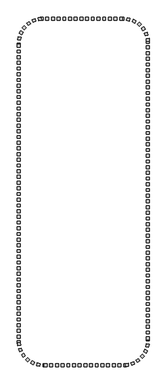
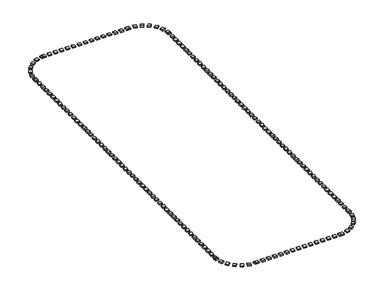
"""IFC4 building model written with IfcOpenShell, lengths in millimetres: railing geometry."""

from ifc_helpers import new_model, si_unit, origin, origin_with_axes, place, context, project, spatial, polyline, outline, extrude, source, transform, mapped, element, save


def railing_08329f72(model_context):
    return source(origin(), model_context, "Body", "SweptSolid", [
        extrude(outline(polyline([(-30827.5176302, -289245.3396431), (-30827.5176302, -289745.3396431), (-31327.5176302, -289745.3396431), (-31327.5176302, -289245.3396431), (-30827.5176302, -289245.3396431)])), origin_with_axes(), (0.0, 0.0, 1.0), 200.0),
        extrude(outline(polyline([(-31827.5176302, -289245.3396431), (-31827.5176302, -289745.3396431), (-32327.5176302, -289745.3396431), (-32327.5176302, -289245.3396431), (-31827.5176302, -289245.3396431)])), origin_with_axes(), (0.0, 0.0, 1.0), 200.0),
        extrude(outline(polyline([(-32827.5176302, -289245.3396431), (-32827.5176302, -289745.3396431), (-33327.5176302, -289745.3396431), (-33327.5176302, -289245.3396431), (-32827.5176302, -289245.3396431)])), origin_with_axes(), (0.0, 0.0, 1.0), 200.0),
        extrude(outline(polyline([(-33827.5176302, -289245.3396431), (-33827.5176302, -289745.3396431), (-34327.5176302, -289745.3396431), (-34327.5176302, -289245.3396431), (-33827.5176302, -289245.3396431)])), origin_with_axes(), (0.0, 0.0, 1.0), 200.0),
        extrude(outline(polyline([(-34827.5176302, -289245.3396431), (-34827.5176302, -289745.3396431), (-35327.5176302, -289745.3396431), (-35327.5176302, -289245.3396431), (-34827.5176302, -289245.3396431)])), origin_with_axes(), (0.0, 0.0, 1.0), 200.0),
        extrude(outline(polyline([(-35827.5176302, -289245.3396431), (-35827.5176302, -289745.3396431), (-36327.5176302, -289745.3396431), (-36327.5176302, -289245.3396431), (-35827.5176302, -289245.3396431)])), origin_with_axes(), (0.0, 0.0, 1.0), 200.0),
        extrude(outline(polyline([(-36827.5176302, -289245.3396431), (-36827.5176302, -289745.3396431), (-37327.5176302, -289745.3396431), (-37327.5176302, -289245.3396431), (-36827.5176302, -289245.3396431)])), origin_with_axes(), (0.0, 0.0, 1.0), 200.0),
        extrude(outline(polyline([(-37827.5176302, -289245.3396431), (-37827.5176302, -289745.3396431), (-38327.5176302, -289745.3396431), (-38327.5176302, -289245.3396431), (-37827.5176302, -289245.3396431)])), origin_with_axes(), (0.0, 0.0, 1.0), 200.0),
        extrude(outline(polyline([(-38827.5176302, -289245.3396431), (-38827.5176302, -289745.3396431), (-39327.5176302, -289745.3396431), (-39327.5176302, -289245.3396431), (-38827.5176302, -289245.3396431)])), origin_with_axes(), (0.0, 0.0, 1.0), 200.0),
        extrude(outline(polyline([(-39827.5176302, -289245.3396431), (-39827.5176302, -289745.3396431), (-40327.5176302, -289745.3396431), (-40327.5176302, -289245.3396431), (-39827.5176302, -289245.3396431)])), origin_with_axes(), (0.0, 0.0, 1.0), 200.0),
        extrude(outline(polyline([(-40827.5176302, -289245.3396431), (-40827.5176302, -289745.3396431), (-41327.5176302, -289745.3396431), (-41327.5176302, -289245.3396431), (-40827.5176302, -289245.3396431)])), origin_with_axes(), (0.0, 0.0, 1.0), 200.0),
        extrude(outline(polyline([(-41827.5176302, -289245.3396431), (-41827.5176302, -289745.3396431), (-42327.5176302, -289745.3396431), (-42327.5176302, -289245.3396431), (-41827.5176302, -289245.3396431)])), origin_with_axes(), (0.0, 0.0, 1.0), 200.0),
        extrude(outline(polyline([(-42827.5176302, -289245.3396431), (-42827.5176302, -289745.3396431), (-43327.5176302, -289745.3396431), (-43327.5176302, -289245.3396431), (-42827.5176302, -289245.3396431)])), origin_with_axes(), (0.0, 0.0, 1.0), 200.0),
        extrude(outline(polyline([(-43827.5176302, -289245.3396431), (-43827.5176302, -289745.3396431), (-44327.5176302, -289745.3396431), (-44327.5176302, -289245.3396431), (-43827.5176302, -289245.3396431)])), origin_with_axes(), (0.0, 0.0, 1.0), 200.0),
        extrude(outline(polyline([(-45145.8350377, -289256.6122034), (-45110.4664368, -289755.3596967), (-45609.2139301, -289790.7282975), (-45644.582531, -289291.9808042), (-45145.8350377, -289256.6122034)])), origin_with_axes(), (0.0, 0.0, 1.0), 200.0),
        extrude(outline(polyline([(-46246.4682609, -289474.908856), (-46088.8070797, -289949.4011657), (-46563.2993894, -290107.0623469), (-46720.9605706, -289632.5700372), (-46246.4682609, -289474.908856)])), origin_with_axes(), (0.0, 0.0, 1.0), 200.0),
        extrude(outline(polyline([(-47258.8780066, -289958.7202115), (-46988.7268536, -290379.4557039), (-47409.462346, -290649.6068568), (-47679.613499, -290228.8713644), (-47258.8780066, -289958.7202115)])), origin_with_axes(), (0.0, 0.0, 1.0), 200.0),
        extrude(outline(polyline([(-48120.1175401, -290677.965223), (-47754.2731056, -291018.784603), (-48095.0924857, -291384.6290375), (-48460.9369201, -291043.8096575), (-48120.1175401, -290677.965223)])), origin_with_axes(), (0.0, 0.0, 1.0), 200.0),
        extrude(outline(polyline([(-48776.6391587, -291587.9247194), (-48337.8478777, -291827.6374887), (-48577.560647, -292266.4287697), (-49016.351928, -292026.7160004), (-48776.6391587, -291587.9247194)])), origin_with_axes(), (0.0, 0.0, 1.0), 200.0),
        extrude(outline(polyline([(-49187.6235278, -292632.0218265), (-48703.167317, -292755.7238061), (-48826.8692966, -293240.180017), (-49311.3255075, -293116.4780373), (-49187.6235278, -292632.0218265)])), origin_with_axes(), (0.0, 0.0, 1.0), 200.0),
        extrude(outline(polyline([(-49327.5176302, -293954.0566268), (-48827.5176302, -293954.0566268), (-48827.5176302, -294454.0566268), (-49327.5176302, -294454.0566268), (-49327.5176302, -293954.0566268)])), origin_with_axes(), (0.0, 0.0, 1.0), 200.0),
        extrude(outline(polyline([(-49327.5176302, -294954.0566268), (-48827.5176302, -294954.0566268), (-48827.5176302, -295454.0566268), (-49327.5176302, -295454.0566268), (-49327.5176302, -294954.0566268)])), origin_with_axes(), (0.0, 0.0, 1.0), 200.0),
        extrude(outline(polyline([(-49327.5176302, -295954.0566268), (-48827.5176302, -295954.0566268), (-48827.5176302, -296454.0566268), (-49327.5176302, -296454.0566268), (-49327.5176302, -295954.0566268)])), origin_with_axes(), (0.0, 0.0, 1.0), 200.0),
        extrude(outline(polyline([(-49327.5176302, -296954.0566268), (-48827.5176302, -296954.0566268), (-48827.5176302, -297454.0566268), (-49327.5176302, -297454.0566268), (-49327.5176302, -296954.0566268)])), origin_with_axes(), (0.0, 0.0, 1.0), 200.0),
        extrude(outline(polyline([(-49327.5176302, -297954.0566268), (-48827.5176302, -297954.0566268), (-48827.5176302, -298454.0566268), (-49327.5176302, -298454.0566268), (-49327.5176302, -297954.0566268)])), origin_with_axes(), (0.0, 0.0, 1.0), 200.0),
        extrude(outline(polyline([(-49327.5176302, -298954.0566268), (-48827.5176302, -298954.0566268), (-48827.5176302, -299454.0566268), (-49327.5176302, -299454.0566268), (-49327.5176302, -298954.0566268)])), origin_with_axes(), (0.0, 0.0, 1.0), 200.0),
        extrude(outline(polyline([(-49327.5176302, -299954.0566268), (-48827.5176302, -299954.0566268), (-48827.5176302, -300454.0566268), (-49327.5176302, -300454.0566268), (-49327.5176302, -299954.0566268)])), origin_with_axes(), (0.0, 0.0, 1.0), 200.0),
        extrude(outline(polyline([(-49327.5176302, -300954.0566268), (-48827.5176302, -300954.0566268), (-48827.5176302, -301454.0566268), (-49327.5176302, -301454.0566268), (-49327.5176302, -300954.0566268)])), origin_with_axes(), (0.0, 0.0, 1.0), 200.0),
        extrude(outline(polyline([(-49327.5176302, -301954.0566268), (-48827.5176302, -301954.0566268), (-48827.5176302, -302454.0566268), (-49327.5176302, -302454.0566268), (-49327.5176302, -301954.0566268)])), origin_with_axes(), (0.0, 0.0, 1.0), 200.0),
        extrude(outline(polyline([(-49327.5176302, -302954.0566268), (-48827.5176302, -302954.0566268), (-48827.5176302, -303454.0566268), (-49327.5176302, -303454.0566268), (-49327.5176302, -302954.0566268)])), origin_with_axes(), (0.0, 0.0, 1.0), 200.0),
        extrude(outline(polyline([(-49327.5176302, -303954.0566268), (-48827.5176302, -303954.0566268), (-48827.5176302, -304454.0566268), (-49327.5176302, -304454.0566268), (-49327.5176302, -303954.0566268)])), origin_with_axes(), (0.0, 0.0, 1.0), 200.0),
        extrude(outline(polyline([(-49327.5176302, -304954.0566268), (-48827.5176302, -304954.0566268), (-48827.5176302, -305454.0566268), (-49327.5176302, -305454.0566268), (-49327.5176302, -304954.0566268)])), origin_with_axes(), (0.0, 0.0, 1.0), 200.0),
        extrude(outline(polyline([(-49327.5176302, -305954.0566268), (-48827.5176302, -305954.0566268), (-48827.5176302, -306454.0566268), (-49327.5176302, -306454.0566268), (-49327.5176302, -305954.0566268)])), origin_with_axes(), (0.0, 0.0, 1.0), 200.0),
        extrude(outline(polyline([(-49327.5176302, -306954.0566268), (-48827.5176302, -306954.0566268), (-48827.5176302, -307454.0566268), (-49327.5176302, -307454.0566268), (-49327.5176302, -306954.0566268)])), origin_with_axes(), (0.0, 0.0, 1.0), 200.0),
        extrude(outline(polyline([(-49327.5176302, -307954.0566268), (-48827.5176302, -307954.0566268), (-48827.5176302, -308454.0566268), (-49327.5176302, -308454.0566268), (-49327.5176302, -307954.0566268)])), origin_with_axes(), (0.0, 0.0, 1.0), 200.0),
        extrude(outline(polyline([(-49327.5176302, -308954.0566268), (-48827.5176302, -308954.0566268), (-48827.5176302, -309454.0566268), (-49327.5176302, -309454.0566268), (-49327.5176302, -308954.0566268)])), origin_with_axes(), (0.0, 0.0, 1.0), 200.0),
        extrude(outline(polyline([(-49327.5176302, -309954.0566268), (-48827.5176302, -309954.0566268), (-48827.5176302, -310454.0566268), (-49327.5176302, -310454.0566268), (-49327.5176302, -309954.0566268)])), origin_with_axes(), (0.0, 0.0, 1.0), 200.0),
        extrude(outline(polyline([(-49327.5176302, -310954.0566268), (-48827.5176302, -310954.0566268), (-48827.5176302, -311454.0566268), (-49327.5176302, -311454.0566268), (-49327.5176302, -310954.0566268)])), origin_with_axes(), (0.0, 0.0, 1.0), 200.0),
        extrude(outline(polyline([(-49327.5176302, -311954.0566268), (-48827.5176302, -311954.0566268), (-48827.5176302, -312454.0566268), (-49327.5176302, -312454.0566268), (-49327.5176302, -311954.0566268)])), origin_with_axes(), (0.0, 0.0, 1.0), 200.0),
        extrude(outline(polyline([(-49327.5176302, -312954.0566268), (-48827.5176302, -312954.0566268), (-48827.5176302, -313454.0566268), (-49327.5176302, -313454.0566268), (-49327.5176302, -312954.0566268)])), origin_with_axes(), (0.0, 0.0, 1.0), 200.0),
        extrude(outline(polyline([(-49327.5176302, -313954.0566268), (-48827.5176302, -313954.0566268), (-48827.5176302, -314454.0566268), (-49327.5176302, -314454.0566268), (-49327.5176302, -313954.0566268)])), origin_with_axes(), (0.0, 0.0, 1.0), 200.0),
        extrude(outline(polyline([(-49327.5176302, -314954.0566268), (-48827.5176302, -314954.0566268), (-48827.5176302, -315454.0566268), (-49327.5176302, -315454.0566268), (-49327.5176302, -314954.0566268)])), origin_with_axes(), (0.0, 0.0, 1.0), 200.0),
        extrude(outline(polyline([(-49327.5176302, -315954.0566268), (-48827.5176302, -315954.0566268), (-48827.5176302, -316454.0566268), (-49327.5176302, -316454.0566268), (-49327.5176302, -315954.0566268)])), origin_with_axes(), (0.0, 0.0, 1.0), 200.0),
        extrude(outline(polyline([(-49327.5176302, -316954.0566268), (-48827.5176302, -316954.0566268), (-48827.5176302, -317454.0566268), (-49327.5176302, -317454.0566268), (-49327.5176302, -316954.0566268)])), origin_with_axes(), (0.0, 0.0, 1.0), 200.0),
        extrude(outline(polyline([(-49327.5176302, -317954.0566268), (-48827.5176302, -317954.0566268), (-48827.5176302, -318454.0566268), (-49327.5176302, -318454.0566268), (-49327.5176302, -317954.0566268)])), origin_with_axes(), (0.0, 0.0, 1.0), 200.0),
        extrude(outline(polyline([(-49327.5176302, -318954.0566268), (-48827.5176302, -318954.0566268), (-48827.5176302, -319454.0566268), (-49327.5176302, -319454.0566268), (-49327.5176302, -318954.0566268)])), origin_with_axes(), (0.0, 0.0, 1.0), 200.0),
        extrude(outline(polyline([(-49327.5176302, -319954.0566268), (-48827.5176302, -319954.0566268), (-48827.5176302, -320454.0566268), (-49327.5176302, -320454.0566268), (-49327.5176302, -319954.0566268)])), origin_with_axes(), (0.0, 0.0, 1.0), 200.0),
        extrude(outline(polyline([(-49327.5176302, -320954.0566268), (-48827.5176302, -320954.0566268), (-48827.5176302, -321454.0566268), (-49327.5176302, -321454.0566268), (-49327.5176302, -320954.0566268)])), origin_with_axes(), (0.0, 0.0, 1.0), 200.0),
        extrude(outline(polyline([(-49327.5176302, -321954.0566268), (-48827.5176302, -321954.0566268), (-48827.5176302, -322454.0566268), (-49327.5176302, -322454.0566268), (-49327.5176302, -321954.0566268)])), origin_with_axes(), (0.0, 0.0, 1.0), 200.0),
        extrude(outline(polyline([(-49327.5176302, -322954.0566268), (-48827.5176302, -322954.0566268), (-48827.5176302, -323454.0566268), (-49327.5176302, -323454.0566268), (-49327.5176302, -322954.0566268)])), origin_with_axes(), (0.0, 0.0, 1.0), 200.0),
        extrude(outline(polyline([(-49327.5176302, -323954.0566268), (-48827.5176302, -323954.0566268), (-48827.5176302, -324454.0566268), (-49327.5176302, -324454.0566268), (-49327.5176302, -323954.0566268)])), origin_with_axes(), (0.0, 0.0, 1.0), 200.0),
        extrude(outline(polyline([(-49327.5176302, -324954.0566268), (-48827.5176302, -324954.0566268), (-48827.5176302, -325454.0566268), (-49327.5176302, -325454.0566268), (-49327.5176302, -324954.0566268)])), origin_with_axes(), (0.0, 0.0, 1.0), 200.0),
        extrude(outline(polyline([(-49327.5176302, -325954.0566268), (-48827.5176302, -325954.0566268), (-48827.5176302, -326454.0566268), (-49327.5176302, -326454.0566268), (-49327.5176302, -325954.0566268)])), origin_with_axes(), (0.0, 0.0, 1.0), 200.0),
        extrude(outline(polyline([(-49327.5176302, -326954.0566268), (-48827.5176302, -326954.0566268), (-48827.5176302, -327454.0566268), (-49327.5176302, -327454.0566268), (-49327.5176302, -326954.0566268)])), origin_with_axes(), (0.0, 0.0, 1.0), 200.0),
        extrude(outline(polyline([(-49327.5176302, -327954.0566268), (-48827.5176302, -327954.0566268), (-48827.5176302, -328454.0566268), (-49327.5176302, -328454.0566268), (-49327.5176302, -327954.0566268)])), origin_with_axes(), (0.0, 0.0, 1.0), 200.0),
        extrude(outline(polyline([(-49327.5176302, -328954.0566268), (-48827.5176302, -328954.0566268), (-48827.5176302, -329454.0566268), (-49327.5176302, -329454.0566268), (-49327.5176302, -328954.0566268)])), origin_with_axes(), (0.0, 0.0, 1.0), 200.0),
        extrude(outline(polyline([(-49327.5176302, -329954.0566268), (-48827.5176302, -329954.0566268), (-48827.5176302, -330454.0566268), (-49327.5176302, -330454.0566268), (-49327.5176302, -329954.0566268)])), origin_with_axes(), (0.0, 0.0, 1.0), 200.0),
        extrude(outline(polyline([(-49327.5176302, -330954.0566268), (-48827.5176302, -330954.0566268), (-48827.5176302, -331454.0566268), (-49327.5176302, -331454.0566268), (-49327.5176302, -330954.0566268)])), origin_with_axes(), (0.0, 0.0, 1.0), 200.0),
        extrude(outline(polyline([(-49327.5176302, -331954.0566268), (-48827.5176302, -331954.0566268), (-48827.5176302, -332454.0566268), (-49327.5176302, -332454.0566268), (-49327.5176302, -331954.0566268)])), origin_with_axes(), (0.0, 0.0, 1.0), 200.0),
        extrude(outline(polyline([(-49327.5176302, -332954.0566268), (-48827.5176302, -332954.0566268), (-48827.5176302, -333454.0566268), (-49327.5176302, -333454.0566268), (-49327.5176302, -332954.0566268)])), origin_with_axes(), (0.0, 0.0, 1.0), 200.0),
        extrude(outline(polyline([(-49327.5176302, -333954.0566268), (-48827.5176302, -333954.0566268), (-48827.5176302, -334454.0566268), (-49327.5176302, -334454.0566268), (-49327.5176302, -333954.0566268)])), origin_with_axes(), (0.0, 0.0, 1.0), 200.0),
        extrude(outline(polyline([(-49327.5176302, -334954.0566268), (-48827.5176302, -334954.0566268), (-48827.5176302, -335454.0566268), (-49327.5176302, -335454.0566268), (-49327.5176302, -334954.0566268)])), origin_with_axes(), (0.0, 0.0, 1.0), 200.0),
        extrude(outline(polyline([(-49327.5176302, -335954.0566268), (-48827.5176302, -335954.0566268), (-48827.5176302, -336454.0566268), (-49327.5176302, -336454.0566268), (-49327.5176302, -335954.0566268)])), origin_with_axes(), (0.0, 0.0, 1.0), 200.0),
        extrude(outline(polyline([(-49327.5176302, -336954.0566268), (-48827.5176302, -336954.0566268), (-48827.5176302, -337454.0566268), (-49327.5176302, -337454.0566268), (-49327.5176302, -336954.0566268)])), origin_with_axes(), (0.0, 0.0, 1.0), 200.0),
        extrude(outline(polyline([(-49327.5176302, -337954.0566268), (-48827.5176302, -337954.0566268), (-48827.5176302, -338454.0566268), (-49327.5176302, -338454.0566268), (-49327.5176302, -337954.0566268)])), origin_with_axes(), (0.0, 0.0, 1.0), 200.0),
        extrude(outline(polyline([(-49327.5176302, -338954.0566268), (-48827.5176302, -338954.0566268), (-48827.5176302, -339454.0566268), (-49327.5176302, -339454.0566268), (-49327.5176302, -338954.0566268)])), origin_with_axes(), (0.0, 0.0, 1.0), 200.0),
        extrude(outline(polyline([(-49327.5176302, -339954.0566268), (-48827.5176302, -339954.0566268), (-48827.5176302, -340454.0566268), (-49327.5176302, -340454.0566268), (-49327.5176302, -339954.0566268)])), origin_with_axes(), (0.0, 0.0, 1.0), 200.0),
        extrude(outline(polyline([(-49327.5176302, -340954.0566268), (-48827.5176302, -340954.0566268), (-48827.5176302, -341454.0566268), (-49327.5176302, -341454.0566268), (-49327.5176302, -340954.0566268)])), origin_with_axes(), (0.0, 0.0, 1.0), 200.0),
        extrude(outline(polyline([(-49327.5176302, -341954.0566268), (-48827.5176302, -341954.0566268), (-48827.5176302, -342454.0566268), (-49327.5176302, -342454.0566268), (-49327.5176302, -341954.0566268)])), origin_with_axes(), (0.0, 0.0, 1.0), 200.0),
        extrude(outline(polyline([(-49327.5176302, -342954.0566268), (-48827.5176302, -342954.0566268), (-48827.5176302, -343454.0566268), (-49327.5176302, -343454.0566268), (-49327.5176302, -342954.0566268)])), origin_with_axes(), (0.0, 0.0, 1.0), 200.0),
        extrude(outline(polyline([(-49327.5176302, -343954.0566268), (-48827.5176302, -343954.0566268), (-48827.5176302, -344454.0566268), (-49327.5176302, -344454.0566268), (-49327.5176302, -343954.0566268)])), origin_with_axes(), (0.0, 0.0, 1.0), 200.0),
        extrude(outline(polyline([(-49327.5176302, -344954.0566268), (-48827.5176302, -344954.0566268), (-48827.5176302, -345454.0566268), (-49327.5176302, -345454.0566268), (-49327.5176302, -344954.0566268)])), origin_with_axes(), (0.0, 0.0, 1.0), 200.0),
        extrude(outline(polyline([(-49316.2450699, -346272.3740343), (-48817.4975766, -346237.0054335), (-48782.1289757, -346735.7529268), (-49280.876469, -346771.1215276), (-49316.2450699, -346272.3740343)])), origin_with_axes(), (0.0, 0.0, 1.0), 200.0),
        extrude(outline(polyline([(-49097.9484173, -347373.0072576), (-48623.4561076, -347215.3460764), (-48465.7949264, -347689.838386), (-48940.2872361, -347847.4995672), (-49097.9484173, -347373.0072576)])), origin_with_axes(), (0.0, 0.0, 1.0), 200.0),
        extrude(outline(polyline([(-48614.1370618, -348385.4170032), (-48193.4015694, -348115.2658503), (-47923.2504164, -348536.0013427), (-48343.9859089, -348806.1524956), (-48614.1370618, -348385.4170032)])), origin_with_axes(), (0.0, 0.0, 1.0), 200.0),
        extrude(outline(polyline([(-47894.8920503, -349246.6565367), (-47554.0726702, -348880.8121023), (-47188.2282358, -349221.6314823), (-47529.0476158, -349587.4759167), (-47894.8920503, -349246.6565367)])), origin_with_axes(), (0.0, 0.0, 1.0), 200.0),
        extrude(outline(polyline([(-46984.9325539, -349903.1781553), (-46745.2197846, -349464.3868743), (-46306.4285036, -349704.0996436), (-46546.1412729, -350142.8909246), (-46984.9325539, -349903.1781553)])), origin_with_axes(), (0.0, 0.0, 1.0), 200.0),
        extrude(outline(polyline([(-45940.8354468, -350314.1625245), (-45817.1334672, -349829.7063136), (-45332.6772563, -349953.4082933), (-45456.3792359, -350437.8645041), (-45940.8354468, -350314.1625245)])), origin_with_axes(), (0.0, 0.0, 1.0), 200.0),
        extrude(outline(polyline([(-44627.5176302, -350454.0566268), (-44627.5176302, -349954.0566268), (-44127.5176302, -349954.0566268), (-44127.5176302, -350454.0566268), (-44627.5176302, -350454.0566268)])), origin_with_axes(), (0.0, 0.0, 1.0), 200.0),
        extrude(outline(polyline([(-43627.5176302, -350454.0566268), (-43627.5176302, -349954.0566268), (-43127.5176302, -349954.0566268), (-43127.5176302, -350454.0566268), (-43627.5176302, -350454.0566268)])), origin_with_axes(), (0.0, 0.0, 1.0), 200.0),
        extrude(outline(polyline([(-42627.5176302, -350454.0566268), (-42627.5176302, -349954.0566268), (-42127.5176302, -349954.0566268), (-42127.5176302, -350454.0566268), (-42627.5176302, -350454.0566268)])), origin_with_axes(), (0.0, 0.0, 1.0), 200.0),
        extrude(outline(polyline([(-41627.5176302, -350454.0566268), (-41627.5176302, -349954.0566268), (-41127.5176302, -349954.0566268), (-41127.5176302, -350454.0566268), (-41627.5176302, -350454.0566268)])), origin_with_axes(), (0.0, 0.0, 1.0), 200.0),
        extrude(outline(polyline([(-40627.5176302, -350454.0566268), (-40627.5176302, -349954.0566268), (-40127.5176302, -349954.0566268), (-40127.5176302, -350454.0566268), (-40627.5176302, -350454.0566268)])), origin_with_axes(), (0.0, 0.0, 1.0), 200.0),
        extrude(outline(polyline([(-39627.5176302, -350454.0566268), (-39627.5176302, -349954.0566268), (-39127.5176302, -349954.0566268), (-39127.5176302, -350454.0566268), (-39627.5176302, -350454.0566268)])), origin_with_axes(), (0.0, 0.0, 1.0), 200.0),
        extrude(outline(polyline([(-38627.5176302, -350454.0566268), (-38627.5176302, -349954.0566268), (-38127.5176302, -349954.0566268), (-38127.5176302, -350454.0566268), (-38627.5176302, -350454.0566268)])), origin_with_axes(), (0.0, 0.0, 1.0), 200.0),
        extrude(outline(polyline([(-37627.5176302, -350454.0566268), (-37627.5176302, -349954.0566268), (-37127.5176302, -349954.0566268), (-37127.5176302, -350454.0566268), (-37627.5176302, -350454.0566268)])), origin_with_axes(), (0.0, 0.0, 1.0), 200.0),
        extrude(outline(polyline([(-36627.5176302, -350454.0566268), (-36627.5176302, -349954.0566268), (-36127.5176302, -349954.0566268), (-36127.5176302, -350454.0566268), (-36627.5176302, -350454.0566268)])), origin_with_axes(), (0.0, 0.0, 1.0), 200.0),
        extrude(outline(polyline([(-35627.5176302, -350454.0566268), (-35627.5176302, -349954.0566268), (-35127.5176302, -349954.0566268), (-35127.5176302, -350454.0566268), (-35627.5176302, -350454.0566268)])), origin_with_axes(), (0.0, 0.0, 1.0), 200.0),
        extrude(outline(polyline([(-34627.5176302, -350454.0566268), (-34627.5176302, -349954.0566268), (-34127.5176302, -349954.0566268), (-34127.5176302, -350454.0566268), (-34627.5176302, -350454.0566268)])), origin_with_axes(), (0.0, 0.0, 1.0), 200.0),
        extrude(outline(polyline([(-33627.5176302, -350454.0566268), (-33627.5176302, -349954.0566268), (-33127.5176302, -349954.0566268), (-33127.5176302, -350454.0566268), (-33627.5176302, -350454.0566268)])), origin_with_axes(), (0.0, 0.0, 1.0), 200.0),
        extrude(outline(polyline([(-32627.5176302, -350454.0566268), (-32627.5176302, -349954.0566268), (-32127.5176302, -349954.0566268), (-32127.5176302, -350454.0566268), (-32627.5176302, -350454.0566268)])), origin_with_axes(), (0.0, 0.0, 1.0), 200.0),
        extrude(outline(polyline([(-31627.5176302, -350454.0566268), (-31627.5176302, -349954.0566268), (-31127.5176302, -349954.0566268), (-31127.5176302, -350454.0566268), (-31627.5176302, -350454.0566268)])), origin_with_axes(), (0.0, 0.0, 1.0), 200.0),
        extrude(outline(polyline([(-30309.2002226, -350442.7840665), (-30344.5688235, -349944.0365732), (-29845.8213302, -349908.6679724), (-29810.4527293, -350407.4154657), (-30309.2002226, -350442.7840665)])), origin_with_axes(), (0.0, 0.0, 1.0), 200.0),
        extrude(outline(polyline([(-29208.5669994, -350224.4874139), (-29366.2281806, -349749.9951042), (-28891.7358709, -349592.333923), (-28734.0746897, -350066.8262327), (-29208.5669994, -350224.4874139)])), origin_with_axes(), (0.0, 0.0, 1.0), 200.0),
        extrude(outline(polyline([(-28196.1572537, -349740.6760584), (-28466.3084067, -349319.940566), (-28045.5729143, -349049.7894131), (-27775.4217613, -349470.5249055), (-28196.1572537, -349740.6760584)])), origin_with_axes(), (0.0, 0.0, 1.0), 200.0),
        extrude(outline(polyline([(-27334.9177202, -349021.4310469), (-27700.7621547, -348680.6116669), (-27359.9427746, -348314.7672324), (-26994.0983402, -348655.5866125), (-27334.9177202, -349021.4310469)])), origin_with_axes(), (0.0, 0.0, 1.0), 200.0),
        extrude(outline(polyline([(-26678.3961016, -348111.4715505), (-27117.1873826, -347871.7587812), (-26877.4746133, -347432.9675003), (-26438.6833323, -347672.6802696), (-26678.3961016, -348111.4715505)])), origin_with_axes(), (0.0, 0.0, 1.0), 200.0),
        extrude(outline(polyline([(-26267.4117325, -347067.3744434), (-26751.8679433, -346943.6724638), (-26628.1659637, -346459.2162529), (-26143.7097528, -346582.9182326), (-26267.4117325, -347067.3744434)])), origin_with_axes(), (0.0, 0.0, 1.0), 200.0),
        extrude(outline(polyline([(-26127.5176302, -345745.3396431), (-26627.5176302, -345745.3396431), (-26627.5176302, -345245.3396431), (-26127.5176302, -345245.3396431), (-26127.5176302, -345745.3396431)])), origin_with_axes(), (0.0, 0.0, 1.0), 200.0),
        extrude(outline(polyline([(-26127.5176302, -344745.3396431), (-26627.5176302, -344745.3396431), (-26627.5176302, -344245.3396431), (-26127.5176302, -344245.3396431), (-26127.5176302, -344745.3396431)])), origin_with_axes(), (0.0, 0.0, 1.0), 200.0),
        extrude(outline(polyline([(-26127.5176302, -343745.3396431), (-26627.5176302, -343745.3396431), (-26627.5176302, -343245.3396431), (-26127.5176302, -343245.3396431), (-26127.5176302, -343745.3396431)])), origin_with_axes(), (0.0, 0.0, 1.0), 200.0),
        extrude(outline(polyline([(-26127.5176302, -342745.3396431), (-26627.5176302, -342745.3396431), (-26627.5176302, -342245.3396431), (-26127.5176302, -342245.3396431), (-26127.5176302, -342745.3396431)])), origin_with_axes(), (0.0, 0.0, 1.0), 200.0),
        extrude(outline(polyline([(-26127.5176302, -341745.3396431), (-26627.5176302, -341745.3396431), (-26627.5176302, -341245.3396431), (-26127.5176302, -341245.3396431), (-26127.5176302, -341745.3396431)])), origin_with_axes(), (0.0, 0.0, 1.0), 200.0),
        extrude(outline(polyline([(-26127.5176302, -340745.3396431), (-26627.5176302, -340745.3396431), (-26627.5176302, -340245.3396431), (-26127.5176302, -340245.3396431), (-26127.5176302, -340745.3396431)])), origin_with_axes(), (0.0, 0.0, 1.0), 200.0),
        extrude(outline(polyline([(-26127.5176302, -339745.3396431), (-26627.5176302, -339745.3396431), (-26627.5176302, -339245.3396431), (-26127.5176302, -339245.3396431), (-26127.5176302, -339745.3396431)])), origin_with_axes(), (0.0, 0.0, 1.0), 200.0),
        extrude(outline(polyline([(-26127.5176302, -338745.3396431), (-26627.5176302, -338745.3396431), (-26627.5176302, -338245.3396431), (-26127.5176302, -338245.3396431), (-26127.5176302, -338745.3396431)])), origin_with_axes(), (0.0, 0.0, 1.0), 200.0),
        extrude(outline(polyline([(-26127.5176302, -337745.3396431), (-26627.5176302, -337745.3396431), (-26627.5176302, -337245.3396431), (-26127.5176302, -337245.3396431), (-26127.5176302, -337745.3396431)])), origin_with_axes(), (0.0, 0.0, 1.0), 200.0),
        extrude(outline(polyline([(-26127.5176302, -336745.3396431), (-26627.5176302, -336745.3396431), (-26627.5176302, -336245.3396431), (-26127.5176302, -336245.3396431), (-26127.5176302, -336745.3396431)])), origin_with_axes(), (0.0, 0.0, 1.0), 200.0),
        extrude(outline(polyline([(-26127.5176302, -335745.3396431), (-26627.5176302, -335745.3396431), (-26627.5176302, -335245.3396431), (-26127.5176302, -335245.3396431), (-26127.5176302, -335745.3396431)])), origin_with_axes(), (0.0, 0.0, 1.0), 200.0),
        extrude(outline(polyline([(-26127.5176302, -334745.3396431), (-26627.5176302, -334745.3396431), (-26627.5176302, -334245.3396431), (-26127.5176302, -334245.3396431), (-26127.5176302, -334745.3396431)])), origin_with_axes(), (0.0, 0.0, 1.0), 200.0),
        extrude(outline(polyline([(-26127.5176302, -333745.3396431), (-26627.5176302, -333745.3396431), (-26627.5176302, -333245.3396431), (-26127.5176302, -333245.3396431), (-26127.5176302, -333745.3396431)])), origin_with_axes(), (0.0, 0.0, 1.0), 200.0),
        extrude(outline(polyline([(-26127.5176302, -332745.3396431), (-26627.5176302, -332745.3396431), (-26627.5176302, -332245.3396431), (-26127.5176302, -332245.3396431), (-26127.5176302, -332745.3396431)])), origin_with_axes(), (0.0, 0.0, 1.0), 200.0),
        extrude(outline(polyline([(-26127.5176302, -331745.3396431), (-26627.5176302, -331745.3396431), (-26627.5176302, -331245.3396431), (-26127.5176302, -331245.3396431), (-26127.5176302, -331745.3396431)])), origin_with_axes(), (0.0, 0.0, 1.0), 200.0),
        extrude(outline(polyline([(-26127.5176302, -330745.3396431), (-26627.5176302, -330745.3396431), (-26627.5176302, -330245.3396431), (-26127.5176302, -330245.3396431), (-26127.5176302, -330745.3396431)])), origin_with_axes(), (0.0, 0.0, 1.0), 200.0),
        extrude(outline(polyline([(-26127.5176302, -329745.3396431), (-26627.5176302, -329745.3396431), (-26627.5176302, -329245.3396431), (-26127.5176302, -329245.3396431), (-26127.5176302, -329745.3396431)])), origin_with_axes(), (0.0, 0.0, 1.0), 200.0),
        extrude(outline(polyline([(-26127.5176302, -328745.3396431), (-26627.5176302, -328745.3396431), (-26627.5176302, -328245.3396431), (-26127.5176302, -328245.3396431), (-26127.5176302, -328745.3396431)])), origin_with_axes(), (0.0, 0.0, 1.0), 200.0),
        extrude(outline(polyline([(-26127.5176302, -327745.3396431), (-26627.5176302, -327745.3396431), (-26627.5176302, -327245.3396431), (-26127.5176302, -327245.3396431), (-26127.5176302, -327745.3396431)])), origin_with_axes(), (0.0, 0.0, 1.0), 200.0),
        extrude(outline(polyline([(-26127.5176302, -326745.3396431), (-26627.5176302, -326745.3396431), (-26627.5176302, -326245.3396431), (-26127.5176302, -326245.3396431), (-26127.5176302, -326745.3396431)])), origin_with_axes(), (0.0, 0.0, 1.0), 200.0),
        extrude(outline(polyline([(-26127.5176302, -325745.3396431), (-26627.5176302, -325745.3396431), (-26627.5176302, -325245.3396431), (-26127.5176302, -325245.3396431), (-26127.5176302, -325745.3396431)])), origin_with_axes(), (0.0, 0.0, 1.0), 200.0),
        extrude(outline(polyline([(-26127.5176302, -324745.3396431), (-26627.5176302, -324745.3396431), (-26627.5176302, -324245.3396431), (-26127.5176302, -324245.3396431), (-26127.5176302, -324745.3396431)])), origin_with_axes(), (0.0, 0.0, 1.0), 200.0),
        extrude(outline(polyline([(-26127.5176302, -323745.3396431), (-26627.5176302, -323745.3396431), (-26627.5176302, -323245.3396431), (-26127.5176302, -323245.3396431), (-26127.5176302, -323745.3396431)])), origin_with_axes(), (0.0, 0.0, 1.0), 200.0),
        extrude(outline(polyline([(-26127.5176302, -322745.3396431), (-26627.5176302, -322745.3396431), (-26627.5176302, -322245.3396431), (-26127.5176302, -322245.3396431), (-26127.5176302, -322745.3396431)])), origin_with_axes(), (0.0, 0.0, 1.0), 200.0),
        extrude(outline(polyline([(-26127.5176302, -321745.3396431), (-26627.5176302, -321745.3396431), (-26627.5176302, -321245.3396431), (-26127.5176302, -321245.3396431), (-26127.5176302, -321745.3396431)])), origin_with_axes(), (0.0, 0.0, 1.0), 200.0),
        extrude(outline(polyline([(-26127.5176302, -320745.3396431), (-26627.5176302, -320745.3396431), (-26627.5176302, -320245.3396431), (-26127.5176302, -320245.3396431), (-26127.5176302, -320745.3396431)])), origin_with_axes(), (0.0, 0.0, 1.0), 200.0),
        extrude(outline(polyline([(-26127.5176302, -319745.3396431), (-26627.5176302, -319745.3396431), (-26627.5176302, -319245.3396431), (-26127.5176302, -319245.3396431), (-26127.5176302, -319745.3396431)])), origin_with_axes(), (0.0, 0.0, 1.0), 200.0),
        extrude(outline(polyline([(-26127.5176302, -318745.3396431), (-26627.5176302, -318745.3396431), (-26627.5176302, -318245.3396431), (-26127.5176302, -318245.3396431), (-26127.5176302, -318745.3396431)])), origin_with_axes(), (0.0, 0.0, 1.0), 200.0),
        extrude(outline(polyline([(-26127.5176302, -317745.3396431), (-26627.5176302, -317745.3396431), (-26627.5176302, -317245.3396431), (-26127.5176302, -317245.3396431), (-26127.5176302, -317745.3396431)])), origin_with_axes(), (0.0, 0.0, 1.0), 200.0),
        extrude(outline(polyline([(-26127.5176302, -316745.3396431), (-26627.5176302, -316745.3396431), (-26627.5176302, -316245.3396431), (-26127.5176302, -316245.3396431), (-26127.5176302, -316745.3396431)])), origin_with_axes(), (0.0, 0.0, 1.0), 200.0),
        extrude(outline(polyline([(-26127.5176302, -315745.3396431), (-26627.5176302, -315745.3396431), (-26627.5176302, -315245.3396431), (-26127.5176302, -315245.3396431), (-26127.5176302, -315745.3396431)])), origin_with_axes(), (0.0, 0.0, 1.0), 200.0),
        extrude(outline(polyline([(-26127.5176302, -314745.3396431), (-26627.5176302, -314745.3396431), (-26627.5176302, -314245.3396431), (-26127.5176302, -314245.3396431), (-26127.5176302, -314745.3396431)])), origin_with_axes(), (0.0, 0.0, 1.0), 200.0),
        extrude(outline(polyline([(-26127.5176302, -313745.3396431), (-26627.5176302, -313745.3396431), (-26627.5176302, -313245.3396431), (-26127.5176302, -313245.3396431), (-26127.5176302, -313745.3396431)])), origin_with_axes(), (0.0, 0.0, 1.0), 200.0),
        extrude(outline(polyline([(-26127.5176302, -312745.3396431), (-26627.5176302, -312745.3396431), (-26627.5176302, -312245.3396431), (-26127.5176302, -312245.3396431), (-26127.5176302, -312745.3396431)])), origin_with_axes(), (0.0, 0.0, 1.0), 200.0),
        extrude(outline(polyline([(-26127.5176302, -311745.3396431), (-26627.5176302, -311745.3396431), (-26627.5176302, -311245.3396431), (-26127.5176302, -311245.3396431), (-26127.5176302, -311745.3396431)])), origin_with_axes(), (0.0, 0.0, 1.0), 200.0),
        extrude(outline(polyline([(-26127.5176302, -310745.3396431), (-26627.5176302, -310745.3396431), (-26627.5176302, -310245.3396431), (-26127.5176302, -310245.3396431), (-26127.5176302, -310745.3396431)])), origin_with_axes(), (0.0, 0.0, 1.0), 200.0),
        extrude(outline(polyline([(-26127.5176302, -309745.3396431), (-26627.5176302, -309745.3396431), (-26627.5176302, -309245.3396431), (-26127.5176302, -309245.3396431), (-26127.5176302, -309745.3396431)])), origin_with_axes(), (0.0, 0.0, 1.0), 200.0),
        extrude(outline(polyline([(-26127.5176302, -308745.3396431), (-26627.5176302, -308745.3396431), (-26627.5176302, -308245.3396431), (-26127.5176302, -308245.3396431), (-26127.5176302, -308745.3396431)])), origin_with_axes(), (0.0, 0.0, 1.0), 200.0),
        extrude(outline(polyline([(-26127.5176302, -307745.3396431), (-26627.5176302, -307745.3396431), (-26627.5176302, -307245.3396431), (-26127.5176302, -307245.3396431), (-26127.5176302, -307745.3396431)])), origin_with_axes(), (0.0, 0.0, 1.0), 200.0),
        extrude(outline(polyline([(-26127.5176302, -306745.3396431), (-26627.5176302, -306745.3396431), (-26627.5176302, -306245.3396431), (-26127.5176302, -306245.3396431), (-26127.5176302, -306745.3396431)])), origin_with_axes(), (0.0, 0.0, 1.0), 200.0),
        extrude(outline(polyline([(-26127.5176302, -305745.3396431), (-26627.5176302, -305745.3396431), (-26627.5176302, -305245.3396431), (-26127.5176302, -305245.3396431), (-26127.5176302, -305745.3396431)])), origin_with_axes(), (0.0, 0.0, 1.0), 200.0),
        extrude(outline(polyline([(-26127.5176302, -304745.3396431), (-26627.5176302, -304745.3396431), (-26627.5176302, -304245.3396431), (-26127.5176302, -304245.3396431), (-26127.5176302, -304745.3396431)])), origin_with_axes(), (0.0, 0.0, 1.0), 200.0),
        extrude(outline(polyline([(-26127.5176302, -303745.3396431), (-26627.5176302, -303745.3396431), (-26627.5176302, -303245.3396431), (-26127.5176302, -303245.3396431), (-26127.5176302, -303745.3396431)])), origin_with_axes(), (0.0, 0.0, 1.0), 200.0),
        extrude(outline(polyline([(-26127.5176302, -302745.3396431), (-26627.5176302, -302745.3396431), (-26627.5176302, -302245.3396431), (-26127.5176302, -302245.3396431), (-26127.5176302, -302745.3396431)])), origin_with_axes(), (0.0, 0.0, 1.0), 200.0),
        extrude(outline(polyline([(-26127.5176302, -301745.3396431), (-26627.5176302, -301745.3396431), (-26627.5176302, -301245.3396431), (-26127.5176302, -301245.3396431), (-26127.5176302, -301745.3396431)])), origin_with_axes(), (0.0, 0.0, 1.0), 200.0),
        extrude(outline(polyline([(-26127.5176302, -300745.3396431), (-26627.5176302, -300745.3396431), (-26627.5176302, -300245.3396431), (-26127.5176302, -300245.3396431), (-26127.5176302, -300745.3396431)])), origin_with_axes(), (0.0, 0.0, 1.0), 200.0),
        extrude(outline(polyline([(-26127.5176302, -299745.3396431), (-26627.5176302, -299745.3396431), (-26627.5176302, -299245.3396431), (-26127.5176302, -299245.3396431), (-26127.5176302, -299745.3396431)])), origin_with_axes(), (0.0, 0.0, 1.0), 200.0),
        extrude(outline(polyline([(-26127.5176302, -298745.3396431), (-26627.5176302, -298745.3396431), (-26627.5176302, -298245.3396431), (-26127.5176302, -298245.3396431), (-26127.5176302, -298745.3396431)])), origin_with_axes(), (0.0, 0.0, 1.0), 200.0),
        extrude(outline(polyline([(-26127.5176302, -297745.3396431), (-26627.5176302, -297745.3396431), (-26627.5176302, -297245.3396431), (-26127.5176302, -297245.3396431), (-26127.5176302, -297745.3396431)])), origin_with_axes(), (0.0, 0.0, 1.0), 200.0),
        extrude(outline(polyline([(-26127.5176302, -296745.3396431), (-26627.5176302, -296745.3396431), (-26627.5176302, -296245.3396431), (-26127.5176302, -296245.3396431), (-26127.5176302, -296745.3396431)])), origin_with_axes(), (0.0, 0.0, 1.0), 200.0),
        extrude(outline(polyline([(-26127.5176302, -295745.3396431), (-26627.5176302, -295745.3396431), (-26627.5176302, -295245.3396431), (-26127.5176302, -295245.3396431), (-26127.5176302, -295745.3396431)])), origin_with_axes(), (0.0, 0.0, 1.0), 200.0),
        extrude(outline(polyline([(-26127.5176302, -294745.3396431), (-26627.5176302, -294745.3396431), (-26627.5176302, -294245.3396431), (-26127.5176302, -294245.3396431), (-26127.5176302, -294745.3396431)])), origin_with_axes(), (0.0, 0.0, 1.0), 200.0),
        extrude(outline(polyline([(-26138.7901904, -293427.0222356), (-26637.5376837, -293462.3908365), (-26672.9062846, -292963.6433432), (-26174.1587913, -292928.2747423), (-26138.7901904, -293427.0222356)])), origin_with_axes(), (0.0, 0.0, 1.0), 200.0),
        extrude(outline(polyline([(-26357.0868431, -292326.3890124), (-26831.5791527, -292484.0501935), (-26989.2403339, -292009.5578839), (-26514.7480242, -291851.8967027), (-26357.0868431, -292326.3890124)])), origin_with_axes(), (0.0, 0.0, 1.0), 200.0),
        extrude(outline(polyline([(-26840.8981985, -291313.9792667), (-27261.6336909, -291584.1304197), (-27531.7848439, -291163.3949273), (-27111.0493514, -290893.2437743), (-26840.8981985, -291313.9792667)])), origin_with_axes(), (0.0, 0.0, 1.0), 200.0),
        extrude(outline(polyline([(-27560.14321, -290452.7397332), (-27900.9625901, -290818.5841676), (-28266.8070245, -290477.7647876), (-27925.9876445, -290111.9203532), (-27560.14321, -290452.7397332)])), origin_with_axes(), (0.0, 0.0, 1.0), 200.0),
        extrude(outline(polyline([(-28470.1027064, -289796.2181146), (-28709.8154757, -290235.0093956), (-29148.6067567, -289995.2966263), (-28908.8939874, -289556.5053453), (-28470.1027064, -289796.2181146)])), origin_with_axes(), (0.0, 0.0, 1.0), 200.0),
        extrude(outline(polyline([(-29514.1998135, -289385.2337454), (-29637.9017931, -289869.6899563), (-30122.358004, -289745.9879767), (-29998.6560244, -289261.5317658), (-29514.1998135, -289385.2337454)])), origin_with_axes(), (0.0, 0.0, 1.0), 200.0),
        extrude(outline(polyline([(-30627.5176302, -289245.3396431), (-30627.5176302, -289745.3396431), (-31127.5176302, -289745.3396431), (-31127.5176302, -289245.3396431), (-30627.5176302, -289245.3396431)])), origin_with_axes(), (0.0, 0.0, 1.0), 200.0),
        extrude(outline(polyline([(-44827.5176302, -289245.3396431), (-44827.5176302, -289745.3396431), (-45327.5176302, -289745.3396431), (-45327.5176302, -289245.3396431), (-44827.5176302, -289245.3396431)])), origin_with_axes(), (0.0, 0.0, 1.0), 200.0),
        extrude(outline(polyline([(-49327.5176302, -293745.3396431), (-48827.5176302, -293745.3396431), (-48827.5176302, -294245.3396431), (-49327.5176302, -294245.3396431), (-49327.5176302, -293745.3396431)])), origin_with_axes(), (0.0, 0.0, 1.0), 200.0),
        extrude(outline(polyline([(-49327.5176302, -345954.0566268), (-48827.5176302, -345954.0566268), (-48827.5176302, -346454.0566268), (-49327.5176302, -346454.0566268), (-49327.5176302, -345954.0566268)])), origin_with_axes(), (0.0, 0.0, 1.0), 200.0),
        extrude(outline(polyline([(-44827.5176302, -350454.0566268), (-44827.5176302, -349954.0566268), (-44327.5176302, -349954.0566268), (-44327.5176302, -350454.0566268), (-44827.5176302, -350454.0566268)])), origin_with_axes(), (0.0, 0.0, 1.0), 200.0),
        extrude(outline(polyline([(-30627.5176302, -350454.0566268), (-30627.5176302, -349954.0566268), (-30127.5176302, -349954.0566268), (-30127.5176302, -350454.0566268), (-30627.5176302, -350454.0566268)])), origin_with_axes(), (0.0, 0.0, 1.0), 200.0),
        extrude(outline(polyline([(-26127.5176302, -345954.0566268), (-26627.5176302, -345954.0566268), (-26627.5176302, -345454.0566268), (-26127.5176302, -345454.0566268), (-26127.5176302, -345954.0566268)])), origin_with_axes(), (0.0, 0.0, 1.0), 200.0),
        extrude(outline(polyline([(-26127.5176302, -293745.3396431), (-26627.5176302, -293745.3396431), (-26627.5176302, -293245.3396431), (-26127.5176302, -293245.3396431), (-26127.5176302, -293745.3396431)])), origin_with_axes(), (0.0, 0.0, 1.0), 200.0),
    ])


if __name__ == "__main__":
    model = new_model("IFC4")
    model_context = context("Model", 3, world=origin())
    ifc_project = project(units=[si_unit("LENGTHUNIT", "METRE", prefix="MILLI")], contexts=[model_context])
    site = spatial("IfcSite", under=ifc_project)
    building = spatial("IfcBuilding", under=site)
    placement = place(None, origin())
    railing_shape = railing_08329f72(model_context)
    element("IfcRailing", 1, at=placement, inside=building, context=model_context, shape_type="MappedRepresentation", body=[
        mapped(railing_shape, transform((0.0, 0.0, 0.0), x_axis=(1.0, 0.0, 0.0), y_axis=(0.0, 1.0, 0.0), z_axis=(0.0, 0.0, 1.0))),
    ])
    save(model, "model.ifc")
